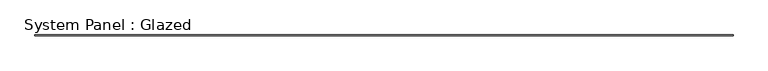
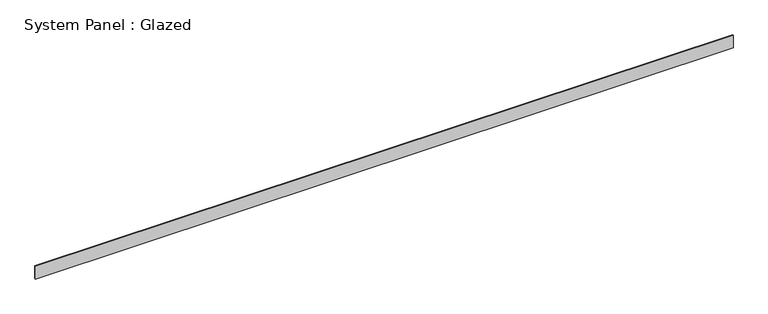
"""IFC4 building model written with IfcOpenShell, lengths in millimetres: plate geometry, System Panel : Glazed."""

import ifcopenshell
import ifcopenshell.guid

model = None  # the IFC model being written
_history = None  # IfcOwnerHistory: only IFC2X3 demands one
_inside = {}  # id of a spatial element -> (the spatial element, [elements in it])
_under = {}  # id of a project, library or spatial element -> (it, [spatial elements below it])
_declared = {}  # id of a project -> (the project, [libraries it declares])
_typed = {}  # id of a type object -> (the type object, [elements of that type])
_made_of = {}  # id of a material, layer set ... -> (it, [elements and type objects made of it])


def new_model(schema):
    """Start an empty IFC model of exactly this schema.

    Asked for "IFC4X3", IfcOpenShell would pick the latest addendum, in which some entities
    have other attributes; the version numbers below select the first issue.
    IFC2X3 requires an IfcOwnerHistory on every rooted entity: one is made here for all.
    """
    global model, _history
    if schema == "IFC4X3":
        model = ifcopenshell.file(schema_version=(4, 3, 0, 0))
    else:
        model = ifcopenshell.file(schema=schema)
    _inside.clear()
    _under.clear()
    _declared.clear()
    _typed.clear()
    _made_of.clear()
    _history = None
    if model.schema == "IFC2X3":
        org = make("IfcOrganization", Name="unknown")
        user = make(
            "IfcPersonAndOrganization",
            ThePerson=make("IfcPerson", FamilyName="unknown"),
            TheOrganization=org,
        )
        app = make(
            "IfcApplication",
            ApplicationDeveloper=org,
            Version="unknown",
            ApplicationFullName="unknown",
            ApplicationIdentifier="unknown",
        )
        _history = make(
            "IfcOwnerHistory",
            OwningUser=user,
            OwningApplication=app,
            ChangeAction="ADDED",
            CreationDate=0,
        )
    return model


def make(cls, **values):
    """One entity of the class cls with the attributes given. An attribute that is None is left unset."""
    return model.create_entity(
        cls, **{name: value for name, value in values.items() if value is not None}
    )


def rooted(cls, **values):
    """An entity with a GlobalId (a new one), such as an element, a storey or a relation."""
    return make(cls, GlobalId=ifcopenshell.guid.new(), OwnerHistory=_history, **values)


def si_unit(unit_type, name, prefix=None):
    """IfcSIUnit, for example si_unit("LENGTHUNIT", "METRE", prefix="MILLI")."""
    return make("IfcSIUnit", UnitType=unit_type, Prefix=prefix, Name=name)


def assignment(units):
    """IfcUnitAssignment: the units of a project."""
    return None if units is None else make("IfcUnitAssignment", Units=units)


def point(xyz):
    """IfcCartesianPoint."""
    return None if xyz is None else make("IfcCartesianPoint", Coordinates=xyz)


def direction(xyz):
    """IfcDirection."""
    return None if xyz is None else make("IfcDirection", DirectionRatios=xyz)


def frame(location, z_axis=None, x_axis=None):
    """IfcAxis2Placement3D, a coordinate frame: its origin and axes. An axis left out is left unset."""
    return make(
        "IfcAxis2Placement3D",
        Location=point(location),
        Axis=direction(z_axis),
        RefDirection=direction(x_axis),
    )


def origin():
    """The frame at (0, 0, 0) with its axes left unset."""
    return frame((0.0, 0.0, 0.0))


def origin_with_axes():
    """The frame at (0, 0, 0) with the z axis (0, 0, 1) and the x axis (1, 0, 0) written out."""
    return frame((0.0, 0.0, 0.0), z_axis=(0.0, 0.0, 1.0), x_axis=(1.0, 0.0, 0.0))


def place(relative_to, where):
    """IfcLocalPlacement: puts the frame where relative to a parent placement (None: the world)."""
    return make(
        "IfcLocalPlacement", PlacementRelTo=relative_to, RelativePlacement=where
    )


def context(
    kind, dimensions, precision=None, world=None, true_north=None, identifier=None
):
    """IfcGeometricRepresentationContext, for example the 3D "Model" context."""
    return make(
        "IfcGeometricRepresentationContext",
        ContextIdentifier=identifier,
        ContextType=kind,
        CoordinateSpaceDimension=dimensions,
        Precision=precision,
        WorldCoordinateSystem=world,
        TrueNorth=true_north,
    )


def project(units=None, contexts=None):
    """IfcProject with its units and contexts."""
    return rooted(
        "IfcProject",
        Name="project",
        RepresentationContexts=contexts,
        UnitsInContext=assignment(units),
    )


def spatial(cls, under=None, at=None, **own):
    """A site, building, storey or space (cls), placed at a placement, below another one or the project."""
    s = rooted(cls, ObjectPlacement=at, **own)
    if under is not None:
        _under.setdefault(under.id(), (under, []))[1].append(s)
    return s


def polyline(points):
    """IfcPolyline through the points."""
    return make("IfcPolyline", Points=[point(p) for p in points])


def outline(outer, holes=None, kind="AREA"):
    """IfcArbitraryClosedProfileDef: a profile drawn as a closed curve; with holes, ...WithVoids."""
    if holes is None:
        return make("IfcArbitraryClosedProfileDef", ProfileType=kind, OuterCurve=outer)
    return make(
        "IfcArbitraryProfileDefWithVoids",
        ProfileType=kind,
        OuterCurve=outer,
        InnerCurves=holes,
    )


def extrude(swept, where, along, depth):
    """IfcExtrudedAreaSolid: the profile swept, set in the frame where, extruded along a direction by depth."""
    return make(
        "IfcExtrudedAreaSolid",
        SweptArea=swept,
        Position=where,
        ExtrudedDirection=direction(along),
        Depth=depth,
    )


def shape(context_of_items, identifier, shape_type, items):
    """IfcShapeRepresentation: the items that make up one representation, for example the "Body"."""
    return make(
        "IfcShapeRepresentation",
        ContextOfItems=context_of_items,
        RepresentationIdentifier=identifier,
        RepresentationType=shape_type,
        Items=items,
    )


def source(mapping_origin, context_of_items, identifier, shape_type, items):
    """IfcRepresentationMap: a shape defined once, which mapped items show again and again."""
    return make(
        "IfcRepresentationMap",
        MappingOrigin=mapping_origin,
        MappedRepresentation=shape(context_of_items, identifier, shape_type, items),
    )


def transform(
    local_origin,
    x_axis=None,
    y_axis=None,
    z_axis=None,
    scale=None,
    scale2=None,
    scale3=None,
    uniform=True,
):
    """IfcCartesianTransformationOperator3D, or its non-uniform kind. x_axis, y_axis, z_axis: its Axis1, 2, 3."""
    if uniform:
        return make(
            "IfcCartesianTransformationOperator3D",
            Axis1=direction(x_axis),
            Axis2=direction(y_axis),
            LocalOrigin=point(local_origin),
            Scale=scale,
            Axis3=direction(z_axis),
        )
    return make(
        "IfcCartesianTransformationOperator3DnonUniform",
        Axis1=direction(x_axis),
        Axis2=direction(y_axis),
        LocalOrigin=point(local_origin),
        Scale=scale,
        Axis3=direction(z_axis),
        Scale2=scale2,
        Scale3=scale3,
    )


def mapped(mapping_source, mapping_target):
    """IfcMappedItem: shows the shape of a source again, moved by a transform."""
    return make(
        "IfcMappedItem", MappingSource=mapping_source, MappingTarget=mapping_target
    )


def made_of(thing, what):
    """Note that an element or type object is made of a material, layer set ...; save() writes the relation."""
    if what is not None:
        _made_of.setdefault(what.id(), (what, []))[1].append(thing)
    return thing


def element(
    cls,
    number,
    at=None,
    inside=None,
    cuts=None,
    type_object=None,
    material=None,
    context=None,
    identifier="Body",
    shape_type=None,
    held_by="IfcProductDefinitionShape",
    body=None,
    shapes=None,
    **own,
):
    """One element of the class cls, such as IfcWall. Its Tag is "e" and its number.

    at: its placement. inside: the storey or other place that contains it. cuts: it is an
    opening in that element (IfcRelVoidsElement). A single representation is given by context,
    identifier, shape_type and body (its items); several are given by shapes. held_by: the class
    of the entity that holds the representations. save() writes the other relations.
    """
    e = rooted(cls, Tag="e%d" % number, ObjectPlacement=at, **own)
    if body is not None:
        shapes = [shape(context, identifier, shape_type, body)]
    if shapes is not None:
        e.Representation = make(held_by, Representations=shapes)
    if inside is not None:
        _inside.setdefault(inside.id(), (inside, []))[1].append(e)
    if cuts is not None:
        rooted(
            "IfcRelVoidsElement", RelatingBuildingElement=cuts, RelatedOpeningElement=e
        )
    if type_object is not None:
        _typed.setdefault(type_object.id(), (type_object, []))[1].append(e)
    return made_of(e, material)


def aggregate(whole, parts):
    """IfcRelAggregates: a whole, such as a stair, and the parts it consists of."""
    return rooted("IfcRelAggregates", RelatingObject=whole, RelatedObjects=parts)


def save(model, path):
    """Write the relations noted so far, then the file.

    IfcRelAggregates (storeys below a building ...), IfcRelContainedInSpatialStructure (elements
    in a storey), IfcRelDefinesByType, IfcRelAssociatesMaterial and IfcRelDeclares: one each for
    every whole, place, type object, material and project.
    """
    for whole, parts in _under.values():
        aggregate(whole, parts)
    for where, things in _inside.values():
        rooted(
            "IfcRelContainedInSpatialStructure",
            RelatedElements=things,
            RelatingStructure=where,
        )
    for kind, things in _typed.values():
        rooted("IfcRelDefinesByType", RelatedObjects=things, RelatingType=kind)
    for what, things in _made_of.values():
        rooted("IfcRelAssociatesMaterial", RelatedObjects=things, RelatingMaterial=what)
    for by, libraries in _declared.values():
        rooted("IfcRelDeclares", RelatingContext=by, RelatedDefinitions=libraries)
    model.write(path)


def system_panel_glazed_0566b3cb(model_context):
    return source(origin(), model_context, "Body", "SweptSolid", [
        extrude(outline(polyline([(9219.2788029, 24.5), (-9219.2788029, 24.5), (-9219.2788029, 49.5), (9219.2788029, 49.5), (9219.2788029, 24.5)])), origin_with_axes(), (0.0, 0.0, 1.0), 350.0),
    ])


if __name__ == "__main__":
    model = new_model("IFC4")
    model_context = context("Model", 3, world=origin())
    ifc_project = project(units=[si_unit("LENGTHUNIT", "METRE", prefix="MILLI")], contexts=[model_context])
    site = spatial("IfcSite", under=ifc_project)
    building = spatial("IfcBuilding", under=site)
    placement = place(None, origin())
    system_panel_glazed_shape = system_panel_glazed_0566b3cb(model_context)
    element("IfcPlate", 1, ObjectType="System Panel : Glazed", at=placement, inside=building, context=model_context, shape_type="MappedRepresentation", body=[
        mapped(system_panel_glazed_shape, transform((0.0, 0.0, 0.0), x_axis=(1.0, 0.0, 0.0), y_axis=(0.0, 1.0, 0.0), z_axis=(0.0, 0.0, 1.0))),
    ])
    save(model, "model.ifc")
